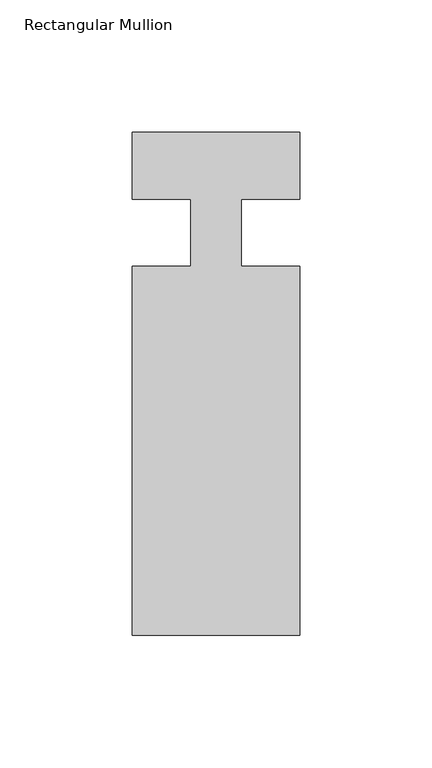
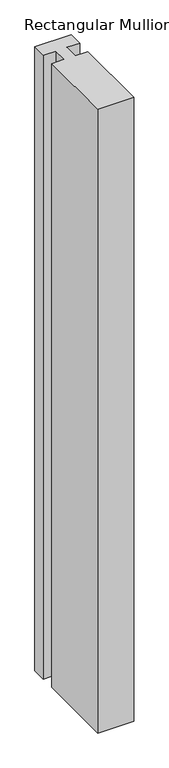
"""IFC4 building model written with IfcOpenShell, lengths in millimetres: member geometry, Rectangular Mullion."""

from ifc_helpers import new_model, si_unit, frame, origin, place, context, project, spatial, polyline, outline, extrude, source, transform, mapped, element, save


def rectangular_mullion_7e0bd5ac(model_context):
    return source(origin(), model_context, "Body", "SweptSolid", [
        extrude(outline(polyline([(31.7499939, -152.3999975), (-31.7500061, -152.3999975), (-31.7500061, -12.7000025), (-9.5251193, -12.7000025), (-9.5251193, 12.7248022), (-31.7500061, 12.7248022), (-31.7500061, 38.0999975), (31.7499939, 38.0999975), (31.7499939, 12.7042851), (9.5251071, 12.7042851), (9.5251071, -12.7000025), (31.7499939, -12.7000025), (31.7499939, -152.3999975)])), frame((0.0, 0.0, -1154.90625), z_axis=(0.0, 0.0, 1.0), x_axis=(1.0, 0.0, 0.0)), (0.0, 0.0, 1.0), 1154.90625),
    ])


if __name__ == "__main__":
    model = new_model("IFC4")
    model_context = context("Model", 3, world=origin())
    ifc_project = project(units=[si_unit("LENGTHUNIT", "METRE", prefix="MILLI")], contexts=[model_context])
    site = spatial("IfcSite", under=ifc_project)
    building = spatial("IfcBuilding", under=site)
    placement = place(None, origin())
    rectangular_mullion_shape = rectangular_mullion_7e0bd5ac(model_context)
    element("IfcMember", 1, ObjectType="Rectangular Mullion", at=placement, inside=building, context=model_context, shape_type="MappedRepresentation", body=[
        mapped(rectangular_mullion_shape, transform((0.0, 0.0, 0.0), x_axis=(1.0, 0.0, 0.0), y_axis=(0.0, 1.0, 0.0), z_axis=(0.0, 0.0, 1.0))),
    ])
    save(model, "model.ifc")
